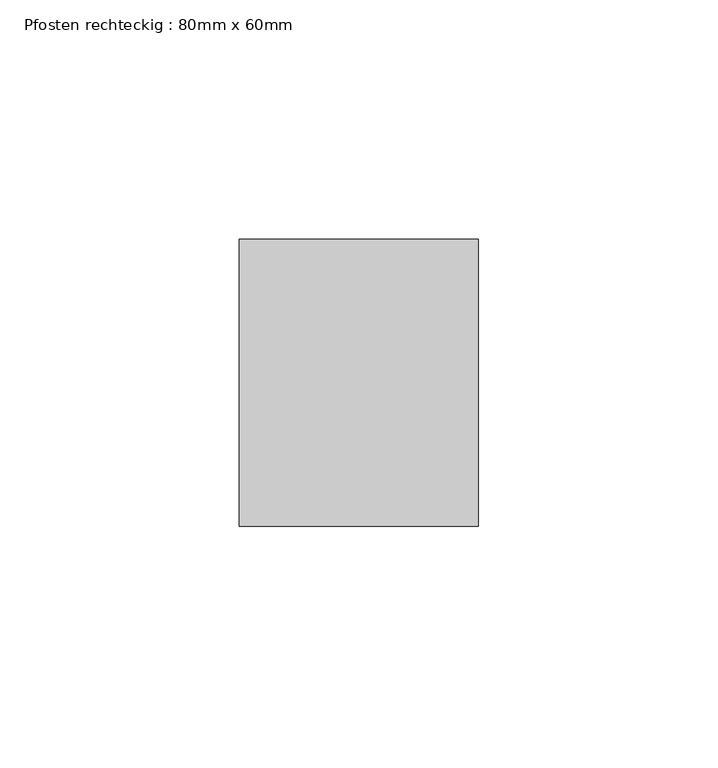
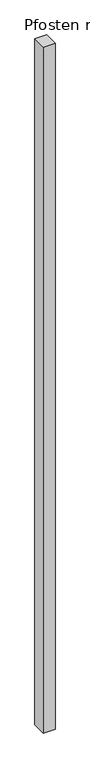
"""IFC4 building model written with IfcOpenShell, lengths in millimetres: member geometry, Pfosten rechteckig : 80mm x 60mm."""

from ifc_helpers import new_model, si_unit, frame, origin, place, context, project, spatial, polyline, outline, extrude, source, transform, mapped, element, save


def pfosten_rechteckig_80mm_x_60mm_c3bb83ef(model_context):
    return source(origin(), model_context, "Body", "SweptSolid", [
        extrude(outline(polyline([(0.0, 30.0), (0.0, -30.0), (-50.0, -30.0), (-50.0, 30.0), (0.0, 30.0)])), frame((0.0, 0.0, -3050.0), z_axis=(0.0, 0.0, 1.0), x_axis=(1.0, 0.0, 0.0)), (0.0, 0.0, 1.0), 3050.0),
    ])


if __name__ == "__main__":
    model = new_model("IFC4")
    model_context = context("Model", 3, world=origin())
    ifc_project = project(units=[si_unit("LENGTHUNIT", "METRE", prefix="MILLI")], contexts=[model_context])
    site = spatial("IfcSite", under=ifc_project)
    building = spatial("IfcBuilding", under=site)
    placement = place(None, origin())
    pfosten_rechteckig_80mm_x_60mm_shape = pfosten_rechteckig_80mm_x_60mm_c3bb83ef(model_context)
    element("IfcMember", 1, ObjectType="Pfosten rechteckig : 80mm x 60mm", at=placement, inside=building, context=model_context, shape_type="MappedRepresentation", body=[
        mapped(pfosten_rechteckig_80mm_x_60mm_shape, transform((0.0, 0.0, 0.0), x_axis=(1.0, 0.0, 0.0), y_axis=(0.0, 1.0, 0.0), z_axis=(0.0, 0.0, 1.0))),
    ])
    save(model, "model.ifc")
